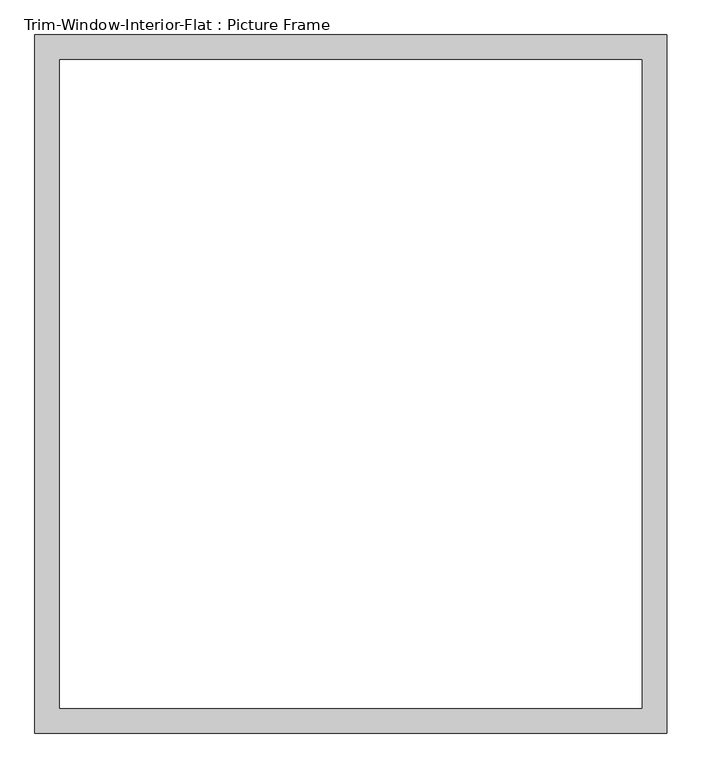
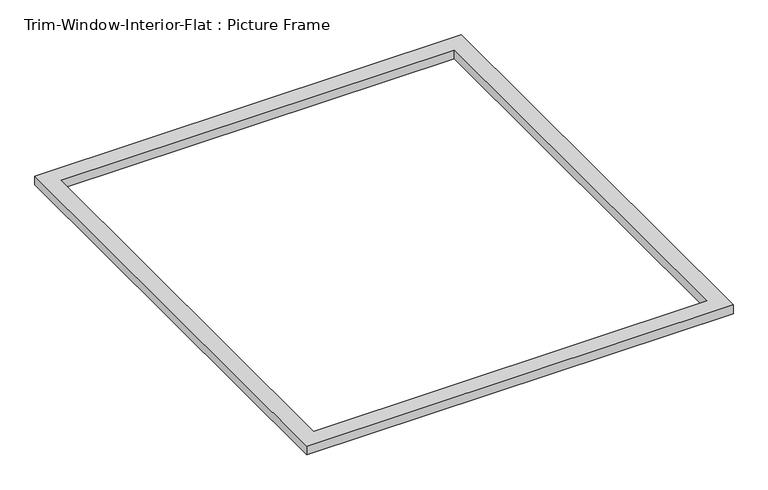
"""IFC4 building model written with IfcOpenShell, lengths in millimetres: proxy geometry, Trim-Window-Interior-Flat : Picture Frame."""

from ifc_helpers import new_model, si_unit, origin, origin_with_axes, place, context, project, spatial, polyline, outline, extrude, source, transform, mapped, element, save


def trim_window_interior_flat_picture_frame_ada0f4dc(model_context):
    return source(origin(), model_context, "Body", "SweptSolid", [
        extrude(outline(polyline([(730.25, 44.45), (730.25, -1568.45), (-730.25, -1568.45), (-730.25, 44.45), (730.25, 44.45)]), holes=[polyline([(673.1, -12.7), (-673.1, -12.7), (-673.1, -1511.3), (673.1, -1511.3), (673.1, -12.7)])]), origin_with_axes(), (0.0, 0.0, 1.0), 31.75),
    ])


if __name__ == "__main__":
    model = new_model("IFC4")
    model_context = context("Model", 3, world=origin())
    ifc_project = project(units=[si_unit("LENGTHUNIT", "METRE", prefix="MILLI")], contexts=[model_context])
    site = spatial("IfcSite", under=ifc_project)
    building = spatial("IfcBuilding", under=site)
    placement = place(None, origin())
    trim_window_interior_flat_picture_frame_shape = trim_window_interior_flat_picture_frame_ada0f4dc(model_context)
    element("IfcBuildingElementProxy", 1, Name="Trim-Window-Interior-Flat : Picture Frame", ObjectType="Trim-Window-Interior-Flat : Picture Frame", at=placement, inside=building, context=model_context, shape_type="MappedRepresentation", body=[
        mapped(trim_window_interior_flat_picture_frame_shape, transform((0.0, 0.0, 0.0), x_axis=(1.0, 0.0, 0.0), y_axis=(0.0, 1.0, 0.0), z_axis=(0.0, 0.0, 1.0))),
    ])
    save(model, "model.ifc")
